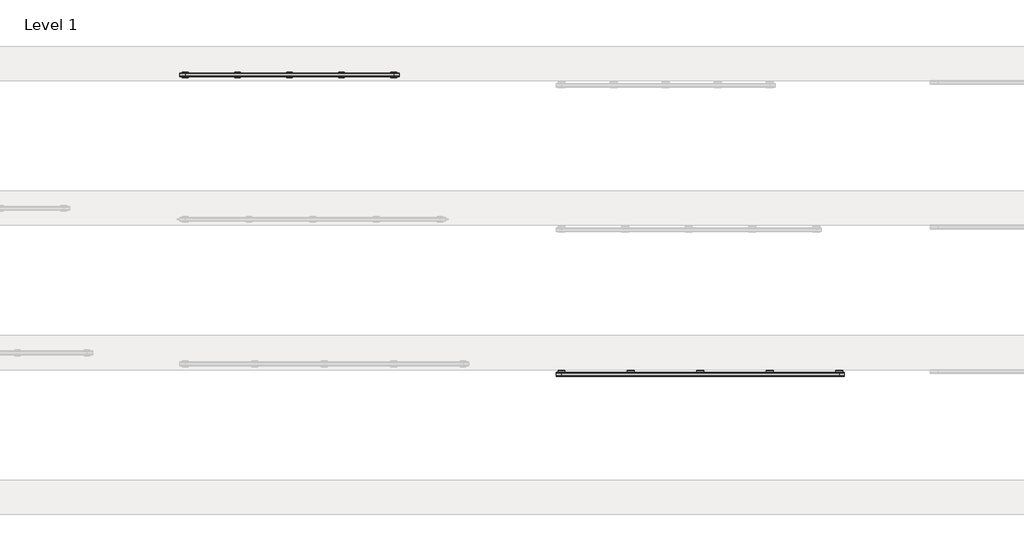
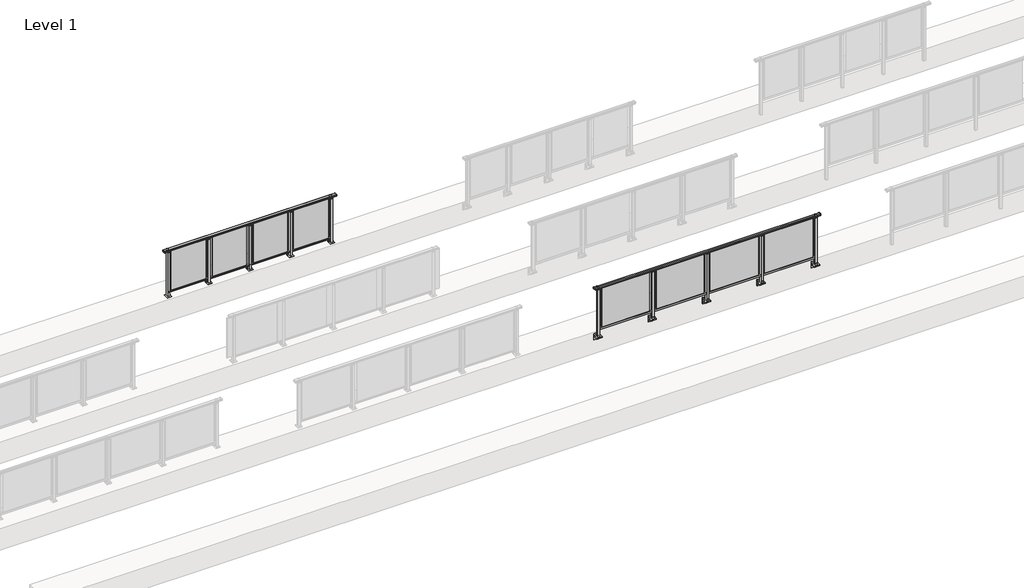
# One storey, part 47 of 64: 2 railings.
"""IFC4 building model written with IfcOpenShell, lengths in millimetres."""

from ifc_helpers import new_model, si_unit, point, frame, frame_2d, origin, origin_with_axes, place, context, project, spatial, polyline, circle_curve, trimmed, segment, composite_curve, outline, extrude, element, save
from ifc_brep_helpers import plane_surface, cylinder_surface, revolved_surface, advanced_brep

model = new_model("IFC4")

# Units and contexts
model_context = context("Model", 3, world=origin())
ifc_project = project(units=[si_unit("LENGTHUNIT", "METRE", prefix="MILLI")], contexts=[model_context])

# Site, building, storey
site = spatial("IfcSite", under=ifc_project)
building = spatial("IfcBuilding", under=site)
storey = spatial("IfcBuildingStorey", under=building, Name="Level 1", Elevation=0.0)

# Railings
placement = place(None, origin())
element("IfcRailing", 1, at=placement, inside=storey, context=model_context, shape_type="SolidModel", body=[
    advanced_brep(
    [(42910.0, 17342.8633756, 1095.6691182), (42910.0, 17347.6846828, 1081.1334092), (42910.0, 17346.7413744, 1069.2539035), (42910.0, 17348.6364177, 1061.4863007), (42910.0, 17346.9894799, 1060.384124), (42910.0, 17346.9894799, 1062.0), (42910.0, 17288.3798858, 1062.0), (42910.0, 17288.3798858, 1060.384124), (42910.0, 17286.732948, 1061.4863007), (42910.0, 17288.6279912, 1069.2539035), (42910.0, 17287.6846828, 1081.1334092), (42910.0, 17292.50599, 1095.6691182), (47890.0, 17342.8633756, 1095.6691182), (47890.0, 17292.50599, 1095.6691182), (47890.0, 17287.6846828, 1081.1334092), (47890.0, 17288.6279912, 1069.2539035), (47890.0, 17286.732948, 1061.4863007), (47890.0, 17288.3798858, 1060.384124), (47890.0, 17288.3798858, 1062.0), (47890.0, 17346.9894799, 1062.0), (47890.0, 17346.9894799, 1060.384124), (47890.0, 17348.6364177, 1061.4863007), (47890.0, 17346.7413744, 1069.2539035), (47890.0, 17347.6846828, 1081.1334092), (43000.0, 17342.8633756, 1095.6691182), (43000.0, 17347.6846828, 1081.1334092), (43000.0, 17346.7413744, 1069.2539035), (43000.0, 17348.6364177, 1061.4863007), (43000.0, 17346.9894799, 1060.384124), (43000.0, 17346.9894799, 1062.0), (43000.0, 17288.3798858, 1062.0), (43000.0, 17288.3798858, 1060.384124), (43000.0, 17286.732948, 1061.4863007), (43000.0, 17288.6279912, 1069.2539035), (43000.0, 17287.6846828, 1081.1334092), (43000.0, 17292.50599, 1095.6691182), (47800.0, 17342.8633756, 1095.6691182), (47800.0, 17347.6846828, 1081.1334092), (47800.0, 17346.7413744, 1069.2539035), (47800.0, 17348.6364177, 1061.4863007), (47800.0, 17346.9894799, 1060.384124), (47800.0, 17346.9894799, 1062.0), (47800.0, 17288.3798858, 1062.0), (47800.0, 17288.3798858, 1060.384124), (47800.0, 17286.732948, 1061.4863007), (47800.0, 17288.6279912, 1069.2539035), (47800.0, 17287.6846828, 1081.1334092), (47800.0, 17292.50599, 1095.6691182)],
    [
        (0, 1, circle_curve(frame((42910.0, 17339.6223845, 1086.526686), z_axis=(-1.0, 0.0, 0.0), x_axis=(0.0, -1.0, 0.0)), 9.6999015)),
        (1, 2, circle_curve(frame((42910.0, 17365.2252545, 1073.7633709), z_axis=(1.0, 0.0, 0.0), x_axis=(0.0, -1.0, 0.0)), 19.0260117)),
        (2, 3),
        (3, 4, circle_curve(frame((42910.0, 17347.7772073, 1060.9886194), z_axis=(-1.0, 0.0, 0.0), x_axis=(0.0, -1.0, 0.0)), 0.9929396)),
        (4, 5),
        (5, 6),
        (6, 7),
        (7, 8, circle_curve(frame((42910.0, 17287.5921584, 1060.9886194), z_axis=(-1.0, 0.0, 0.0), x_axis=(0.0, 1.0, 0.0)), 0.9929396)),
        (8, 9),
        (9, 10, circle_curve(frame((42910.0, 17270.1441111, 1073.7633709), z_axis=(1.0, 0.0, 0.0), x_axis=(0.0, 1.0, 0.0)), 19.0260117)),
        (10, 11, circle_curve(frame((42910.0, 17295.7469812, 1086.526686), z_axis=(-1.0, 0.0, 0.0), x_axis=(0.0, 1.0, 0.0)), 9.6999015)),
        (11, 0, circle_curve(frame((42910.0, 17317.6846828, 1024.6431628), z_axis=(-1.0, 0.0, 0.0), x_axis=(0.0, 1.0, 0.0)), 75.3568372)),
        (12, 13, circle_curve(frame((47890.0, 17317.6846828, 1024.6431628), z_axis=(1.0, 0.0, 0.0), x_axis=(0.0, 1.0, 0.0)), 75.3568372)),
        (13, 14, circle_curve(frame((47890.0, 17295.7469812, 1086.526686), z_axis=(1.0, 0.0, 0.0), x_axis=(0.0, 1.0, 0.0)), 9.6999015)),
        (14, 15, circle_curve(frame((47890.0, 17270.1441111, 1073.7633709), z_axis=(-1.0, 0.0, 0.0), x_axis=(0.0, 1.0, 0.0)), 19.0260117)),
        (15, 16),
        (16, 17, circle_curve(frame((47890.0, 17287.5921584, 1060.9886194), z_axis=(1.0, 0.0, 0.0), x_axis=(0.0, 1.0, 0.0)), 0.9929396)),
        (17, 18),
        (18, 19),
        (19, 20),
        (20, 21, circle_curve(frame((47890.0, 17347.7772073, 1060.9886194), z_axis=(1.0, 0.0, 0.0), x_axis=(0.0, -1.0, 0.0)), 0.9929396)),
        (21, 22),
        (22, 23, circle_curve(frame((47890.0, 17365.2252545, 1073.7633709), z_axis=(-1.0, 0.0, 0.0), x_axis=(0.0, -1.0, 0.0)), 19.0260117)),
        (23, 12, circle_curve(frame((47890.0, 17339.6223845, 1086.526686), z_axis=(1.0, 0.0, 0.0), x_axis=(0.0, -1.0, 0.0)), 9.6999015)),
        (0, 24),
        (24, 25, circle_curve(frame((43000.0, 17339.6223845, 1086.526686), z_axis=(-1.0, 0.0, 0.0), x_axis=(0.0, -1.0, 0.0)), 9.6999015)),
        (25, 1),
        (25, 26, circle_curve(frame((43000.0, 17365.2252545, 1073.7633709), z_axis=(1.0, 0.0, 0.0), x_axis=(0.0, -1.0, 0.0)), 19.0260117)),
        (26, 2),
        (26, 27),
        (27, 3),
        (27, 28, circle_curve(frame((43000.0, 17347.7772073, 1060.9886194), z_axis=(-1.0, 0.0, 0.0), x_axis=(0.0, -1.0, 0.0)), 0.9929396)),
        (28, 4),
        (28, 29),
        (29, 5),
        (29, 30),
        (30, 6),
        (30, 31),
        (31, 7),
        (31, 32, circle_curve(frame((43000.0, 17287.5921584, 1060.9886194), z_axis=(-1.0, 0.0, 0.0), x_axis=(0.0, 1.0, 0.0)), 0.9929396)),
        (32, 8),
        (32, 33),
        (33, 9),
        (33, 34, circle_curve(frame((43000.0, 17270.1441111, 1073.7633709), z_axis=(1.0, 0.0, 0.0), x_axis=(0.0, 1.0, 0.0)), 19.0260117)),
        (34, 10),
        (34, 35, circle_curve(frame((43000.0, 17295.7469812, 1086.526686), z_axis=(-1.0, 0.0, 0.0), x_axis=(0.0, 1.0, 0.0)), 9.6999015)),
        (35, 11),
        (35, 24, circle_curve(frame((43000.0, 17317.6846828, 1024.6431628), z_axis=(-1.0, 0.0, 0.0), x_axis=(0.0, 1.0, 0.0)), 75.3568372)),
        (24, 36),
        (36, 37, circle_curve(frame((47800.0, 17339.6223845, 1086.526686), z_axis=(-1.0, 0.0, 0.0), x_axis=(0.0, -1.0, 0.0)), 9.6999015)),
        (37, 25),
        (37, 38, circle_curve(frame((47800.0, 17365.2252545, 1073.7633709), z_axis=(1.0, 0.0, 0.0), x_axis=(0.0, -1.0, 0.0)), 19.0260117)),
        (38, 26),
        (38, 39),
        (39, 27),
        (39, 40, circle_curve(frame((47800.0, 17347.7772073, 1060.9886194), z_axis=(-1.0, 0.0, 0.0), x_axis=(0.0, -1.0, 0.0)), 0.9929396)),
        (40, 28),
        (40, 41),
        (41, 29),
        (41, 42),
        (42, 30),
        (42, 43),
        (43, 31),
        (43, 44, circle_curve(frame((47800.0, 17287.5921584, 1060.9886194), z_axis=(-1.0, 0.0, 0.0), x_axis=(0.0, 1.0, 0.0)), 0.9929396)),
        (44, 32),
        (44, 45),
        (45, 33),
        (45, 46, circle_curve(frame((47800.0, 17270.1441111, 1073.7633709), z_axis=(1.0, 0.0, 0.0), x_axis=(0.0, 1.0, 0.0)), 19.0260117)),
        (46, 34),
        (46, 47, circle_curve(frame((47800.0, 17295.7469812, 1086.526686), z_axis=(-1.0, 0.0, 0.0), x_axis=(0.0, 1.0, 0.0)), 9.6999015)),
        (47, 35),
        (47, 36, circle_curve(frame((47800.0, 17317.6846828, 1024.6431628), z_axis=(-1.0, 0.0, 0.0), x_axis=(0.0, 1.0, 0.0)), 75.3568372)),
        (36, 12),
        (23, 37),
        (22, 38),
        (21, 39),
        (20, 40),
        (19, 41),
        (18, 42),
        (17, 43),
        (16, 44),
        (15, 45),
        (14, 46),
        (13, 47),
    ],
    [
        plane_surface(frame((42910.0, 17317.6846828, 1100.0), z_axis=(-1.0, 0.0, 0.0), x_axis=(0.0, 1.0, 0.0))),
        plane_surface(frame((47890.0, 17317.6846828, 1100.0), z_axis=(1.0, 0.0, 0.0), x_axis=(0.0, 1.0, 0.0))),
        cylinder_surface(frame((42910.0, 17339.6223845, 1086.526686), z_axis=(-1.0, 0.0, 0.0), x_axis=(0.0, -1.0, 0.0)), 9.6999015),
        revolved_surface(polyline([(43000.0, 17346.1992428, 1073.7633709), (42910.0, 17346.1992428, 1073.7633709)]), (42910.0, 17365.2252545, 1073.7633709), (1.0, 0.0, 0.0)),
        plane_surface(frame((42910.0, 17346.7413744, 1069.2539035), z_axis=(0.0, 0.9715057689301543, 0.2370159086125439), x_axis=(1.0, 0.0, 0.0))),
        cylinder_surface(frame((42910.0, 17347.7772073, 1060.9886194), z_axis=(-1.0, 0.0, 0.0), x_axis=(0.0, -1.0, 0.0)), 0.9929396),
        plane_surface(frame((42910.0, 17346.9894799, 1060.384124), z_axis=(0.0, -1.0, 0.0), x_axis=(1.0, 0.0, 0.0))),
        plane_surface(frame((42910.0, 17346.9894799, 1062.0), z_axis=(0.0, 0.0, -1.0), x_axis=(1.0, 0.0, 0.0))),
        plane_surface(frame((42910.0, 17288.3798858, 1062.0), z_axis=(0.0, 1.0, 0.0), x_axis=(1.0, 0.0, 0.0))),
        cylinder_surface(frame((42910.0, 17287.5921584, 1060.9886194), z_axis=(-1.0, 0.0, 0.0), x_axis=(0.0, 1.0, 0.0)), 0.9929396),
        plane_surface(frame((42910.0, 17286.732948, 1061.4863007), z_axis=(0.0, -0.9715057689301543, 0.2370159086125439), x_axis=(1.0, 0.0, 0.0))),
        revolved_surface(polyline([(43000.0, 17289.1701228, 1073.7633709), (42910.0, 17289.1701228, 1073.7633709)]), (42910.0, 17270.1441111, 1073.7633709), (1.0, 0.0, 0.0)),
        cylinder_surface(frame((42910.0, 17295.7469812, 1086.526686), z_axis=(-1.0, 0.0, 0.0), x_axis=(0.0, 1.0, 0.0)), 9.6999015),
        cylinder_surface(frame((42910.0, 17317.6846828, 1024.6431628), z_axis=(-1.0, 0.0, 0.0), x_axis=(0.0, 1.0, 0.0)), 75.3568372),
        cylinder_surface(frame((43000.0, 17339.6223845, 1086.526686), z_axis=(-1.0, 0.0, 0.0), x_axis=(0.0, -1.0, 0.0)), 9.6999015),
        revolved_surface(polyline([(47800.0, 17346.1992428, 1073.7633709), (43000.0, 17346.1992428, 1073.7633709)]), (43000.0, 17365.2252545, 1073.7633709), (1.0, 0.0, 0.0)),
        plane_surface(frame((43000.0, 17346.7413744, 1069.2539035), z_axis=(0.0, 0.9715057689301543, 0.2370159086125439), x_axis=(1.0, 0.0, 0.0))),
        cylinder_surface(frame((43000.0, 17347.7772073, 1060.9886194), z_axis=(-1.0, 0.0, 0.0), x_axis=(0.0, -1.0, 0.0)), 0.9929396),
        plane_surface(frame((43000.0, 17346.9894799, 1060.384124), z_axis=(0.0, -1.0, 0.0), x_axis=(1.0, 0.0, 0.0))),
        plane_surface(frame((43000.0, 17346.9894799, 1062.0), z_axis=(0.0, 0.0, -1.0), x_axis=(1.0, 0.0, 0.0))),
        plane_surface(frame((43000.0, 17288.3798858, 1062.0), z_axis=(0.0, 1.0, 0.0), x_axis=(1.0, 0.0, 0.0))),
        cylinder_surface(frame((43000.0, 17287.5921584, 1060.9886194), z_axis=(-1.0, 0.0, 0.0), x_axis=(0.0, 1.0, 0.0)), 0.9929396),
        plane_surface(frame((43000.0, 17286.732948, 1061.4863007), z_axis=(0.0, -0.9715057689301543, 0.2370159086125439), x_axis=(1.0, 0.0, 0.0))),
        revolved_surface(polyline([(47800.0, 17289.1701228, 1073.7633709), (43000.0, 17289.1701228, 1073.7633709)]), (43000.0, 17270.1441111, 1073.7633709), (1.0, 0.0, 0.0)),
        cylinder_surface(frame((43000.0, 17295.7469812, 1086.526686), z_axis=(-1.0, 0.0, 0.0), x_axis=(0.0, 1.0, 0.0)), 9.6999015),
        cylinder_surface(frame((43000.0, 17317.6846828, 1024.6431628), z_axis=(-1.0, 0.0, 0.0), x_axis=(0.0, 1.0, 0.0)), 75.3568372),
        cylinder_surface(frame((47800.0, 17339.6223845, 1086.526686), z_axis=(-1.0, 0.0, 0.0), x_axis=(0.0, -1.0, 0.0)), 9.6999015),
        revolved_surface(polyline([(47890.0, 17346.1992428, 1073.7633709), (47800.0, 17346.1992428, 1073.7633709)]), (47800.0, 17365.2252545, 1073.7633709), (1.0, 0.0, 0.0)),
        plane_surface(frame((47800.0, 17346.7413744, 1069.2539035), z_axis=(0.0, 0.9715057689301543, 0.2370159086125439), x_axis=(1.0, 0.0, 0.0))),
        cylinder_surface(frame((47800.0, 17347.7772073, 1060.9886194), z_axis=(-1.0, 0.0, 0.0), x_axis=(0.0, -1.0, 0.0)), 0.9929396),
        plane_surface(frame((47800.0, 17346.9894799, 1060.384124), z_axis=(0.0, -1.0, 0.0), x_axis=(1.0, 0.0, 0.0))),
        plane_surface(frame((47800.0, 17346.9894799, 1062.0), z_axis=(0.0, 0.0, -1.0), x_axis=(1.0, 0.0, 0.0))),
        plane_surface(frame((47800.0, 17288.3798858, 1062.0), z_axis=(0.0, 1.0, 0.0), x_axis=(1.0, 0.0, 0.0))),
        cylinder_surface(frame((47800.0, 17287.5921584, 1060.9886194), z_axis=(-1.0, 0.0, 0.0), x_axis=(0.0, 1.0, 0.0)), 0.9929396),
        plane_surface(frame((47800.0, 17286.732948, 1061.4863007), z_axis=(0.0, -0.9715057689301543, 0.2370159086125439), x_axis=(1.0, 0.0, 0.0))),
        revolved_surface(polyline([(47890.0, 17289.1701228, 1073.7633709), (47800.0, 17289.1701228, 1073.7633709)]), (47800.0, 17270.1441111, 1073.7633709), (1.0, 0.0, 0.0)),
        cylinder_surface(frame((47800.0, 17295.7469812, 1086.526686), z_axis=(-1.0, 0.0, 0.0), x_axis=(0.0, 1.0, 0.0)), 9.6999015),
        cylinder_surface(frame((47800.0, 17317.6846828, 1024.6431628), z_axis=(-1.0, 0.0, 0.0), x_axis=(0.0, 1.0, 0.0)), 75.3568372),
    ],
    [
        (0, [[1, 2, 3, 4, 5, 6, 7, 8, 9, 10, 11, 12]]),
        (1, [[13, 14, 15, 16, 17, 18, 19, 20, 21, 22, 23, 24]]),
        (2, [[-1, 25, 26, 27]]),
        (3, [[-2, -27, 28, 29]]),
        (4, [[-3, -29, 30, 31]]),
        (5, [[-4, -31, 32, 33]]),
        (6, [[-5, -33, 34, 35]]),
        (7, [[-6, -35, 36, 37]]),
        (8, [[-7, -37, 38, 39]]),
        (9, [[-8, -39, 40, 41]]),
        (10, [[-9, -41, 42, 43]]),
        (11, [[-10, -43, 44, 45]]),
        (12, [[-11, -45, 46, 47]]),
        (13, [[-12, -47, 48, -25]]),
        (14, [[-26, 49, 50, 51]]),
        (15, [[-28, -51, 52, 53]]),
        (16, [[-30, -53, 54, 55]]),
        (17, [[-32, -55, 56, 57]]),
        (18, [[-34, -57, 58, 59]]),
        (19, [[-36, -59, 60, 61]]),
        (20, [[-38, -61, 62, 63]]),
        (21, [[-40, -63, 64, 65]]),
        (22, [[-42, -65, 66, 67]]),
        (23, [[-44, -67, 68, 69]]),
        (24, [[-46, -69, 70, 71]]),
        (25, [[-48, -71, 72, -49]]),
        (26, [[-50, 73, -24, 74]]),
        (27, [[-52, -74, -23, 75]]),
        (28, [[-54, -75, -22, 76]]),
        (29, [[-56, -76, -21, 77]]),
        (30, [[-58, -77, -20, 78]]),
        (31, [[-60, -78, -19, 79]]),
        (32, [[-62, -79, -18, 80]]),
        (33, [[-64, -80, -17, 81]]),
        (34, [[-66, -81, -16, 82]]),
        (35, [[-68, -82, -15, 83]]),
        (36, [[-70, -83, -14, 84]]),
        (37, [[-72, -84, -13, -73]]),
    ],
),
    extrude(outline(polyline([(43000.0, 17300.1846828), (43000.0, 17335.1846828), (47800.0, 17335.1846828), (47800.0, 17300.1846828), (43000.0, 17300.1846828)])), frame((0.0, 0.0, 95.0), z_axis=(0.0, 0.0, 1.0), x_axis=(1.0, 0.0, 0.0)), (0.0, 0.0, 1.0), 30.0),
    extrude(outline(polyline([(46672.5, 17315.9094929), (46672.5, 17321.9094929), (47727.5, 17321.9094929), (47727.5, 17315.9094929), (46672.5, 17315.9094929)])), frame((0.0, 0.0, 125.0), z_axis=(0.0, 0.0, 1.0), x_axis=(1.0, 0.0, 0.0)), (0.0, 0.0, 1.0), 930.0),
    extrude(outline(composite_curve([segment(polyline([(17350.1846828, -70.0), (17384.1846828, -63.0), (17384.1846828, -32.5), (17400.1846828, -32.5), (17400.1846828, -167.5), (17384.1846828, -167.5), (17384.1846828, -113.5)]), True, "CONTINUOUS"), segment(trimmed(circle_curve(frame_2d((17364.1846828, -113.5)), 20.0), [point((17384.1846828, -113.5))], [point((17364.1846828, -93.5))], True, "CARTESIAN"), True, "CONTINUOUS"), segment(polyline([(17364.1846828, -93.5), (17280.1846828, -93.5), (17280.1846828, -70.0), (17350.1846828, -70.0)]), True, "CONTINUOUS")], self_intersect=False)), frame((46540.0, 0.0, 0.0), z_axis=(1.0, 0.0, 0.0), x_axis=(0.0, 1.0, 0.0)), (0.0, 0.0, 1.0), 120.0),
    extrude(outline(polyline([(46622.5, 17340.1846828), (46622.5, 17295.1846828), (46577.5, 17295.1846828), (46577.5, 17340.1846828), (46622.5, 17340.1846828)])), frame((0.0, 0.0, -70.0), z_axis=(0.0, 0.0, 1.0), x_axis=(1.0, 0.0, 0.0)), (0.0, 0.0, 1.0), 1097.0),
    extrude(outline(polyline([(46610.0, 17327.6846828), (46610.0, 17307.6846828), (46590.0, 17307.6846828), (46590.0, 17327.6846828), (46610.0, 17327.6846828)])), frame((0.0, 0.0, 1035.0), z_axis=(0.0, 0.0, 1.0), x_axis=(1.0, 0.0, 0.0)), (0.0, 0.0, 1.0), 20.0),
    extrude(outline(polyline([(46622.5, 17340.1846828), (46622.5, 17295.1846828), (46577.5, 17295.1846828), (46577.5, 17340.1846828), (46622.5, 17340.1846828)])), frame((0.0, 0.0, 1027.0), z_axis=(0.0, 0.0, 1.0), x_axis=(1.0, 0.0, 0.0)), (0.0, 0.0, 1.0), 8.0),
    extrude(outline(polyline([(45472.5, 17315.9094929), (45472.5, 17321.9094929), (46527.5, 17321.9094929), (46527.5, 17315.9094929), (45472.5, 17315.9094929)])), frame((0.0, 0.0, 125.0), z_axis=(0.0, 0.0, 1.0), x_axis=(1.0, 0.0, 0.0)), (0.0, 0.0, 1.0), 930.0),
    extrude(outline(composite_curve([segment(polyline([(17350.1846828, -70.0), (17384.1846828, -63.0), (17384.1846828, -32.5), (17400.1846828, -32.5), (17400.1846828, -167.5), (17384.1846828, -167.5), (17384.1846828, -113.5)]), True, "CONTINUOUS"), segment(trimmed(circle_curve(frame_2d((17364.1846828, -113.5)), 20.0), [point((17384.1846828, -113.5))], [point((17364.1846828, -93.5))], True, "CARTESIAN"), True, "CONTINUOUS"), segment(polyline([(17364.1846828, -93.5), (17280.1846828, -93.5), (17280.1846828, -70.0), (17350.1846828, -70.0)]), True, "CONTINUOUS")], self_intersect=False)), frame((45340.0, 0.0, 0.0), z_axis=(1.0, 0.0, 0.0), x_axis=(0.0, 1.0, 0.0)), (0.0, 0.0, 1.0), 120.0),
    extrude(outline(polyline([(45422.5, 17340.1846828), (45422.5, 17295.1846828), (45377.5, 17295.1846828), (45377.5, 17340.1846828), (45422.5, 17340.1846828)])), frame((0.0, 0.0, -70.0), z_axis=(0.0, 0.0, 1.0), x_axis=(1.0, 0.0, 0.0)), (0.0, 0.0, 1.0), 1097.0),
    extrude(outline(polyline([(45410.0, 17327.6846828), (45410.0, 17307.6846828), (45390.0, 17307.6846828), (45390.0, 17327.6846828), (45410.0, 17327.6846828)])), frame((0.0, 0.0, 1035.0), z_axis=(0.0, 0.0, 1.0), x_axis=(1.0, 0.0, 0.0)), (0.0, 0.0, 1.0), 20.0),
    extrude(outline(polyline([(45422.5, 17340.1846828), (45422.5, 17295.1846828), (45377.5, 17295.1846828), (45377.5, 17340.1846828), (45422.5, 17340.1846828)])), frame((0.0, 0.0, 1027.0), z_axis=(0.0, 0.0, 1.0), x_axis=(1.0, 0.0, 0.0)), (0.0, 0.0, 1.0), 8.0),
    extrude(outline(polyline([(44272.5, 17315.9094929), (44272.5, 17321.9094929), (45327.5, 17321.9094929), (45327.5, 17315.9094929), (44272.5, 17315.9094929)])), frame((0.0, 0.0, 125.0), z_axis=(0.0, 0.0, 1.0), x_axis=(1.0, 0.0, 0.0)), (0.0, 0.0, 1.0), 930.0),
    extrude(outline(composite_curve([segment(polyline([(17350.1846828, -70.0), (17384.1846828, -63.0), (17384.1846828, -32.5), (17400.1846828, -32.5), (17400.1846828, -167.5), (17384.1846828, -167.5), (17384.1846828, -113.5)]), True, "CONTINUOUS"), segment(trimmed(circle_curve(frame_2d((17364.1846828, -113.5)), 20.0), [point((17384.1846828, -113.5))], [point((17364.1846828, -93.5))], True, "CARTESIAN"), True, "CONTINUOUS"), segment(polyline([(17364.1846828, -93.5), (17280.1846828, -93.5), (17280.1846828, -70.0), (17350.1846828, -70.0)]), True, "CONTINUOUS")], self_intersect=False)), frame((44140.0, 0.0, 0.0), z_axis=(1.0, 0.0, 0.0), x_axis=(0.0, 1.0, 0.0)), (0.0, 0.0, 1.0), 120.0),
    extrude(outline(polyline([(44222.5, 17340.1846828), (44222.5, 17295.1846828), (44177.5, 17295.1846828), (44177.5, 17340.1846828), (44222.5, 17340.1846828)])), frame((0.0, 0.0, -70.0), z_axis=(0.0, 0.0, 1.0), x_axis=(1.0, 0.0, 0.0)), (0.0, 0.0, 1.0), 1097.0),
    extrude(outline(polyline([(44210.0, 17327.6846828), (44210.0, 17307.6846828), (44190.0, 17307.6846828), (44190.0, 17327.6846828), (44210.0, 17327.6846828)])), frame((0.0, 0.0, 1035.0), z_axis=(0.0, 0.0, 1.0), x_axis=(1.0, 0.0, 0.0)), (0.0, 0.0, 1.0), 20.0),
    extrude(outline(polyline([(44222.5, 17340.1846828), (44222.5, 17295.1846828), (44177.5, 17295.1846828), (44177.5, 17340.1846828), (44222.5, 17340.1846828)])), frame((0.0, 0.0, 1027.0), z_axis=(0.0, 0.0, 1.0), x_axis=(1.0, 0.0, 0.0)), (0.0, 0.0, 1.0), 8.0),
    extrude(outline(polyline([(43072.5, 17315.9094929), (43072.5, 17321.9094929), (44127.5, 17321.9094929), (44127.5, 17315.9094929), (43072.5, 17315.9094929)])), frame((0.0, 0.0, 125.0), z_axis=(0.0, 0.0, 1.0), x_axis=(1.0, 0.0, 0.0)), (0.0, 0.0, 1.0), 930.0),
    extrude(outline(composite_curve([segment(polyline([(17350.1846828, -70.0), (17384.1846828, -63.0), (17384.1846828, -32.5), (17400.1846828, -32.5), (17400.1846828, -167.5), (17384.1846828, -167.5), (17384.1846828, -113.5)]), True, "CONTINUOUS"), segment(trimmed(circle_curve(frame_2d((17364.1846828, -113.5)), 20.0), [point((17384.1846828, -113.5))], [point((17364.1846828, -93.5))], True, "CARTESIAN"), True, "CONTINUOUS"), segment(polyline([(17364.1846828, -93.5), (17280.1846828, -93.5), (17280.1846828, -70.0), (17350.1846828, -70.0)]), True, "CONTINUOUS")], self_intersect=False)), frame((47740.0, 0.0, 0.0), z_axis=(1.0, 0.0, 0.0), x_axis=(0.0, 1.0, 0.0)), (0.0, 0.0, 1.0), 120.0),
    extrude(outline(polyline([(47822.5, 17340.1846828), (47822.5, 17295.1846828), (47777.5, 17295.1846828), (47777.5, 17340.1846828), (47822.5, 17340.1846828)])), frame((0.0, 0.0, -70.0), z_axis=(0.0, 0.0, 1.0), x_axis=(1.0, 0.0, 0.0)), (0.0, 0.0, 1.0), 1097.0),
    extrude(outline(polyline([(47810.0, 17327.6846828), (47810.0, 17307.6846828), (47790.0, 17307.6846828), (47790.0, 17327.6846828), (47810.0, 17327.6846828)])), frame((0.0, 0.0, 1035.0), z_axis=(0.0, 0.0, 1.0), x_axis=(1.0, 0.0, 0.0)), (0.0, 0.0, 1.0), 20.0),
    extrude(outline(polyline([(47822.5, 17340.1846828), (47822.5, 17295.1846828), (47777.5, 17295.1846828), (47777.5, 17340.1846828), (47822.5, 17340.1846828)])), frame((0.0, 0.0, 1027.0), z_axis=(0.0, 0.0, 1.0), x_axis=(1.0, 0.0, 0.0)), (0.0, 0.0, 1.0), 8.0),
    extrude(outline(composite_curve([segment(polyline([(17350.1846828, -70.0), (17384.1846828, -63.0), (17384.1846828, -32.5), (17400.1846828, -32.5), (17400.1846828, -167.5), (17384.1846828, -167.5), (17384.1846828, -113.5)]), True, "CONTINUOUS"), segment(trimmed(circle_curve(frame_2d((17364.1846828, -113.5)), 20.0), [point((17384.1846828, -113.5))], [point((17364.1846828, -93.5))], True, "CARTESIAN"), True, "CONTINUOUS"), segment(polyline([(17364.1846828, -93.5), (17280.1846828, -93.5), (17280.1846828, -70.0), (17350.1846828, -70.0)]), True, "CONTINUOUS")], self_intersect=False)), frame((42940.0, 0.0, 0.0), z_axis=(1.0, 0.0, 0.0), x_axis=(0.0, 1.0, 0.0)), (0.0, 0.0, 1.0), 120.0),
    extrude(outline(polyline([(43022.5, 17340.1846828), (43022.5, 17295.1846828), (42977.5, 17295.1846828), (42977.5, 17340.1846828), (43022.5, 17340.1846828)])), frame((0.0, 0.0, -70.0), z_axis=(0.0, 0.0, 1.0), x_axis=(1.0, 0.0, 0.0)), (0.0, 0.0, 1.0), 1097.0),
    extrude(outline(polyline([(43010.0, 17327.6846828), (43010.0, 17307.6846828), (42990.0, 17307.6846828), (42990.0, 17327.6846828), (43010.0, 17327.6846828)])), frame((0.0, 0.0, 1035.0), z_axis=(0.0, 0.0, 1.0), x_axis=(1.0, 0.0, 0.0)), (0.0, 0.0, 1.0), 20.0),
    extrude(outline(polyline([(43022.5, 17340.1846828), (43022.5, 17295.1846828), (42977.5, 17295.1846828), (42977.5, 17340.1846828), (43022.5, 17340.1846828)])), frame((0.0, 0.0, 1027.0), z_axis=(0.0, 0.0, 1.0), x_axis=(1.0, 0.0, 0.0)), (0.0, 0.0, 1.0), 8.0),
])
element("IfcRailing", 2, at=placement, inside=storey, context=model_context, shape_type="SolidModel", body=[
    advanced_brep(
    [(36400.0, 22525.3633756, 1095.6691182), (36400.0, 22530.1846828, 1081.1334092), (36400.0, 22529.2413744, 1069.2539035), (36400.0, 22531.1364177, 1061.4863007), (36400.0, 22529.4894799, 1060.384124), (36400.0, 22529.4894799, 1062.0), (36400.0, 22470.8798858, 1062.0), (36400.0, 22470.8798858, 1060.384124), (36400.0, 22469.232948, 1061.4863007), (36400.0, 22471.1279912, 1069.2539035), (36400.0, 22470.1846828, 1081.1334092), (36400.0, 22475.00599, 1095.6691182), (40200.0, 22525.3633756, 1095.6691182), (40200.0, 22475.00599, 1095.6691182), (40200.0, 22470.1846828, 1081.1334092), (40200.0, 22471.1279912, 1069.2539035), (40200.0, 22469.232948, 1061.4863007), (40200.0, 22470.8798858, 1060.384124), (40200.0, 22470.8798858, 1062.0), (40200.0, 22529.4894799, 1062.0), (40200.0, 22529.4894799, 1060.384124), (40200.0, 22531.1364177, 1061.4863007), (40200.0, 22529.2413744, 1069.2539035), (40200.0, 22530.1846828, 1081.1334092), (36500.0, 22525.3633756, 1095.6691182), (36500.0, 22530.1846828, 1081.1334092), (36500.0, 22529.2413744, 1069.2539035), (36500.0, 22531.1364177, 1061.4863007), (36500.0, 22529.4894799, 1060.384124), (36500.0, 22529.4894799, 1062.0), (36500.0, 22470.8798858, 1062.0), (36500.0, 22470.8798858, 1060.384124), (36500.0, 22469.232948, 1061.4863007), (36500.0, 22471.1279912, 1069.2539035), (36500.0, 22470.1846828, 1081.1334092), (36500.0, 22475.00599, 1095.6691182), (40100.0, 22525.3633756, 1095.6691182), (40100.0, 22530.1846828, 1081.1334092), (40100.0, 22529.2413744, 1069.2539035), (40100.0, 22531.1364177, 1061.4863007), (40100.0, 22529.4894799, 1060.384124), (40100.0, 22529.4894799, 1062.0), (40100.0, 22470.8798858, 1062.0), (40100.0, 22470.8798858, 1060.384124), (40100.0, 22469.232948, 1061.4863007), (40100.0, 22471.1279912, 1069.2539035), (40100.0, 22470.1846828, 1081.1334092), (40100.0, 22475.00599, 1095.6691182)],
    [
        (0, 1, circle_curve(frame((36400.0, 22522.1223845, 1086.526686), z_axis=(-1.0, 0.0, 0.0), x_axis=(0.0, -1.0, 0.0)), 9.6999015)),
        (1, 2, circle_curve(frame((36400.0, 22547.7252545, 1073.7633709), z_axis=(1.0, 0.0, 0.0), x_axis=(0.0, -1.0, 0.0)), 19.0260117)),
        (2, 3),
        (3, 4, circle_curve(frame((36400.0, 22530.2772073, 1060.9886194), z_axis=(-1.0, 0.0, 0.0), x_axis=(0.0, -1.0, 0.0)), 0.9929396)),
        (4, 5),
        (5, 6),
        (6, 7),
        (7, 8, circle_curve(frame((36400.0, 22470.0921584, 1060.9886194), z_axis=(-1.0, 0.0, 0.0), x_axis=(0.0, 1.0, 0.0)), 0.9929396)),
        (8, 9),
        (9, 10, circle_curve(frame((36400.0, 22452.6441111, 1073.7633709), z_axis=(1.0, 0.0, 0.0), x_axis=(0.0, 1.0, 0.0)), 19.0260117)),
        (10, 11, circle_curve(frame((36400.0, 22478.2469812, 1086.526686), z_axis=(-1.0, 0.0, 0.0), x_axis=(0.0, 1.0, 0.0)), 9.6999015)),
        (11, 0, circle_curve(frame((36400.0, 22500.1846828, 1024.6431628), z_axis=(-1.0, 0.0, 0.0), x_axis=(0.0, 1.0, 0.0)), 75.3568372)),
        (12, 13, circle_curve(frame((40200.0, 22500.1846828, 1024.6431628), z_axis=(1.0, 0.0, 0.0), x_axis=(0.0, 1.0, 0.0)), 75.3568372)),
        (13, 14, circle_curve(frame((40200.0, 22478.2469812, 1086.526686), z_axis=(1.0, 0.0, 0.0), x_axis=(0.0, 1.0, 0.0)), 9.6999015)),
        (14, 15, circle_curve(frame((40200.0, 22452.6441111, 1073.7633709), z_axis=(-1.0, 0.0, 0.0), x_axis=(0.0, 1.0, 0.0)), 19.0260117)),
        (15, 16),
        (16, 17, circle_curve(frame((40200.0, 22470.0921584, 1060.9886194), z_axis=(1.0, 0.0, 0.0), x_axis=(0.0, 1.0, 0.0)), 0.9929396)),
        (17, 18),
        (18, 19),
        (19, 20),
        (20, 21, circle_curve(frame((40200.0, 22530.2772073, 1060.9886194), z_axis=(1.0, 0.0, 0.0), x_axis=(0.0, -1.0, 0.0)), 0.9929396)),
        (21, 22),
        (22, 23, circle_curve(frame((40200.0, 22547.7252545, 1073.7633709), z_axis=(-1.0, 0.0, 0.0), x_axis=(0.0, -1.0, 0.0)), 19.0260117)),
        (23, 12, circle_curve(frame((40200.0, 22522.1223845, 1086.526686), z_axis=(1.0, 0.0, 0.0), x_axis=(0.0, -1.0, 0.0)), 9.6999015)),
        (0, 24),
        (24, 25, circle_curve(frame((36500.0, 22522.1223845, 1086.526686), z_axis=(-1.0, 0.0, 0.0), x_axis=(0.0, -1.0, 0.0)), 9.6999015)),
        (25, 1),
        (25, 26, circle_curve(frame((36500.0, 22547.7252545, 1073.7633709), z_axis=(1.0, 0.0, 0.0), x_axis=(0.0, -1.0, 0.0)), 19.0260117)),
        (26, 2),
        (26, 27),
        (27, 3),
        (27, 28, circle_curve(frame((36500.0, 22530.2772073, 1060.9886194), z_axis=(-1.0, 0.0, 0.0), x_axis=(0.0, -1.0, 0.0)), 0.9929396)),
        (28, 4),
        (28, 29),
        (29, 5),
        (29, 30),
        (30, 6),
        (30, 31),
        (31, 7),
        (31, 32, circle_curve(frame((36500.0, 22470.0921584, 1060.9886194), z_axis=(-1.0, 0.0, 0.0), x_axis=(0.0, 1.0, 0.0)), 0.9929396)),
        (32, 8),
        (32, 33),
        (33, 9),
        (33, 34, circle_curve(frame((36500.0, 22452.6441111, 1073.7633709), z_axis=(1.0, 0.0, 0.0), x_axis=(0.0, 1.0, 0.0)), 19.0260117)),
        (34, 10),
        (34, 35, circle_curve(frame((36500.0, 22478.2469812, 1086.526686), z_axis=(-1.0, 0.0, 0.0), x_axis=(0.0, 1.0, 0.0)), 9.6999015)),
        (35, 11),
        (35, 24, circle_curve(frame((36500.0, 22500.1846828, 1024.6431628), z_axis=(-1.0, 0.0, 0.0), x_axis=(0.0, 1.0, 0.0)), 75.3568372)),
        (24, 36),
        (36, 37, circle_curve(frame((40100.0, 22522.1223845, 1086.526686), z_axis=(-1.0, 0.0, 0.0), x_axis=(0.0, -1.0, 0.0)), 9.6999015)),
        (37, 25),
        (37, 38, circle_curve(frame((40100.0, 22547.7252545, 1073.7633709), z_axis=(1.0, 0.0, 0.0), x_axis=(0.0, -1.0, 0.0)), 19.0260117)),
        (38, 26),
        (38, 39),
        (39, 27),
        (39, 40, circle_curve(frame((40100.0, 22530.2772073, 1060.9886194), z_axis=(-1.0, 0.0, 0.0), x_axis=(0.0, -1.0, 0.0)), 0.9929396)),
        (40, 28),
        (40, 41),
        (41, 29),
        (41, 42),
        (42, 30),
        (42, 43),
        (43, 31),
        (43, 44, circle_curve(frame((40100.0, 22470.0921584, 1060.9886194), z_axis=(-1.0, 0.0, 0.0), x_axis=(0.0, 1.0, 0.0)), 0.9929396)),
        (44, 32),
        (44, 45),
        (45, 33),
        (45, 46, circle_curve(frame((40100.0, 22452.6441111, 1073.7633709), z_axis=(1.0, 0.0, 0.0), x_axis=(0.0, 1.0, 0.0)), 19.0260117)),
        (46, 34),
        (46, 47, circle_curve(frame((40100.0, 22478.2469812, 1086.526686), z_axis=(-1.0, 0.0, 0.0), x_axis=(0.0, 1.0, 0.0)), 9.6999015)),
        (47, 35),
        (47, 36, circle_curve(frame((40100.0, 22500.1846828, 1024.6431628), z_axis=(-1.0, 0.0, 0.0), x_axis=(0.0, 1.0, 0.0)), 75.3568372)),
        (36, 12),
        (23, 37),
        (22, 38),
        (21, 39),
        (20, 40),
        (19, 41),
        (18, 42),
        (17, 43),
        (16, 44),
        (15, 45),
        (14, 46),
        (13, 47),
    ],
    [
        plane_surface(frame((36400.0, 22500.1846828, 1100.0), z_axis=(-1.0, 0.0, 0.0), x_axis=(0.0, 1.0, 0.0))),
        plane_surface(frame((40200.0, 22500.1846828, 1100.0), z_axis=(1.0, 0.0, 0.0), x_axis=(0.0, 1.0, 0.0))),
        cylinder_surface(frame((36400.0, 22522.1223845, 1086.526686), z_axis=(-1.0, 0.0, 0.0), x_axis=(0.0, -1.0, 0.0)), 9.6999015),
        revolved_surface(polyline([(36500.0, 22528.6992428, 1073.7633709), (36400.0, 22528.6992428, 1073.7633709)]), (36400.0, 22547.7252545, 1073.7633709), (1.0, 0.0, 0.0)),
        plane_surface(frame((36400.0, 22529.2413744, 1069.2539035), z_axis=(0.0, 0.9715057689301543, 0.2370159086125439), x_axis=(1.0, 0.0, 0.0))),
        cylinder_surface(frame((36400.0, 22530.2772073, 1060.9886194), z_axis=(-1.0, 0.0, 0.0), x_axis=(0.0, -1.0, 0.0)), 0.9929396),
        plane_surface(frame((36400.0, 22529.4894799, 1060.384124), z_axis=(0.0, -1.0, 0.0), x_axis=(1.0, 0.0, 0.0))),
        plane_surface(frame((36400.0, 22529.4894799, 1062.0), z_axis=(0.0, 0.0, -1.0), x_axis=(1.0, 0.0, 0.0))),
        plane_surface(frame((36400.0, 22470.8798858, 1062.0), z_axis=(0.0, 1.0, 0.0), x_axis=(1.0, 0.0, 0.0))),
        cylinder_surface(frame((36400.0, 22470.0921584, 1060.9886194), z_axis=(-1.0, 0.0, 0.0), x_axis=(0.0, 1.0, 0.0)), 0.9929396),
        plane_surface(frame((36400.0, 22469.232948, 1061.4863007), z_axis=(0.0, -0.9715057689301543, 0.2370159086125439), x_axis=(1.0, 0.0, 0.0))),
        revolved_surface(polyline([(36500.0, 22471.6701228, 1073.7633709), (36400.0, 22471.6701228, 1073.7633709)]), (36400.0, 22452.6441111, 1073.7633709), (1.0, 0.0, 0.0)),
        cylinder_surface(frame((36400.0, 22478.2469812, 1086.526686), z_axis=(-1.0, 0.0, 0.0), x_axis=(0.0, 1.0, 0.0)), 9.6999015),
        cylinder_surface(frame((36400.0, 22500.1846828, 1024.6431628), z_axis=(-1.0, 0.0, 0.0), x_axis=(0.0, 1.0, 0.0)), 75.3568372),
        cylinder_surface(frame((36500.0, 22522.1223845, 1086.526686), z_axis=(-1.0, 0.0, 0.0), x_axis=(0.0, -1.0, 0.0)), 9.6999015),
        revolved_surface(polyline([(40100.0, 22528.6992428, 1073.7633709), (36500.0, 22528.6992428, 1073.7633709)]), (36500.0, 22547.7252545, 1073.7633709), (1.0, 0.0, 0.0)),
        plane_surface(frame((36500.0, 22529.2413744, 1069.2539035), z_axis=(0.0, 0.9715057689301543, 0.2370159086125439), x_axis=(1.0, 0.0, 0.0))),
        cylinder_surface(frame((36500.0, 22530.2772073, 1060.9886194), z_axis=(-1.0, 0.0, 0.0), x_axis=(0.0, -1.0, 0.0)), 0.9929396),
        plane_surface(frame((36500.0, 22529.4894799, 1060.384124), z_axis=(0.0, -1.0, 0.0), x_axis=(1.0, 0.0, 0.0))),
        plane_surface(frame((36500.0, 22529.4894799, 1062.0), z_axis=(0.0, 0.0, -1.0), x_axis=(1.0, 0.0, 0.0))),
        plane_surface(frame((36500.0, 22470.8798858, 1062.0), z_axis=(0.0, 1.0, 0.0), x_axis=(1.0, 0.0, 0.0))),
        cylinder_surface(frame((36500.0, 22470.0921584, 1060.9886194), z_axis=(-1.0, 0.0, 0.0), x_axis=(0.0, 1.0, 0.0)), 0.9929396),
        plane_surface(frame((36500.0, 22469.232948, 1061.4863007), z_axis=(0.0, -0.9715057689301543, 0.2370159086125439), x_axis=(1.0, 0.0, 0.0))),
        revolved_surface(polyline([(40100.0, 22471.6701228, 1073.7633709), (36500.0, 22471.6701228, 1073.7633709)]), (36500.0, 22452.6441111, 1073.7633709), (1.0, 0.0, 0.0)),
        cylinder_surface(frame((36500.0, 22478.2469812, 1086.526686), z_axis=(-1.0, 0.0, 0.0), x_axis=(0.0, 1.0, 0.0)), 9.6999015),
        cylinder_surface(frame((36500.0, 22500.1846828, 1024.6431628), z_axis=(-1.0, 0.0, 0.0), x_axis=(0.0, 1.0, 0.0)), 75.3568372),
        cylinder_surface(frame((40100.0, 22522.1223845, 1086.526686), z_axis=(-1.0, 0.0, 0.0), x_axis=(0.0, -1.0, 0.0)), 9.6999015),
        revolved_surface(polyline([(40200.0, 22528.6992428, 1073.7633709), (40100.0, 22528.6992428, 1073.7633709)]), (40100.0, 22547.7252545, 1073.7633709), (1.0, 0.0, 0.0)),
        plane_surface(frame((40100.0, 22529.2413744, 1069.2539035), z_axis=(0.0, 0.9715057689301543, 0.2370159086125439), x_axis=(1.0, 0.0, 0.0))),
        cylinder_surface(frame((40100.0, 22530.2772073, 1060.9886194), z_axis=(-1.0, 0.0, 0.0), x_axis=(0.0, -1.0, 0.0)), 0.9929396),
        plane_surface(frame((40100.0, 22529.4894799, 1060.384124), z_axis=(0.0, -1.0, 0.0), x_axis=(1.0, 0.0, 0.0))),
        plane_surface(frame((40100.0, 22529.4894799, 1062.0), z_axis=(0.0, 0.0, -1.0), x_axis=(1.0, 0.0, 0.0))),
        plane_surface(frame((40100.0, 22470.8798858, 1062.0), z_axis=(0.0, 1.0, 0.0), x_axis=(1.0, 0.0, 0.0))),
        cylinder_surface(frame((40100.0, 22470.0921584, 1060.9886194), z_axis=(-1.0, 0.0, 0.0), x_axis=(0.0, 1.0, 0.0)), 0.9929396),
        plane_surface(frame((40100.0, 22469.232948, 1061.4863007), z_axis=(0.0, -0.9715057689301543, 0.2370159086125439), x_axis=(1.0, 0.0, 0.0))),
        revolved_surface(polyline([(40200.0, 22471.6701228, 1073.7633709), (40100.0, 22471.6701228, 1073.7633709)]), (40100.0, 22452.6441111, 1073.7633709), (1.0, 0.0, 0.0)),
        cylinder_surface(frame((40100.0, 22478.2469812, 1086.526686), z_axis=(-1.0, 0.0, 0.0), x_axis=(0.0, 1.0, 0.0)), 9.6999015),
        cylinder_surface(frame((40100.0, 22500.1846828, 1024.6431628), z_axis=(-1.0, 0.0, 0.0), x_axis=(0.0, 1.0, 0.0)), 75.3568372),
    ],
    [
        (0, [[1, 2, 3, 4, 5, 6, 7, 8, 9, 10, 11, 12]]),
        (1, [[13, 14, 15, 16, 17, 18, 19, 20, 21, 22, 23, 24]]),
        (2, [[-1, 25, 26, 27]]),
        (3, [[-2, -27, 28, 29]]),
        (4, [[-3, -29, 30, 31]]),
        (5, [[-4, -31, 32, 33]]),
        (6, [[-5, -33, 34, 35]]),
        (7, [[-6, -35, 36, 37]]),
        (8, [[-7, -37, 38, 39]]),
        (9, [[-8, -39, 40, 41]]),
        (10, [[-9, -41, 42, 43]]),
        (11, [[-10, -43, 44, 45]]),
        (12, [[-11, -45, 46, 47]]),
        (13, [[-12, -47, 48, -25]]),
        (14, [[-26, 49, 50, 51]]),
        (15, [[-28, -51, 52, 53]]),
        (16, [[-30, -53, 54, 55]]),
        (17, [[-32, -55, 56, 57]]),
        (18, [[-34, -57, 58, 59]]),
        (19, [[-36, -59, 60, 61]]),
        (20, [[-38, -61, 62, 63]]),
        (21, [[-40, -63, 64, 65]]),
        (22, [[-42, -65, 66, 67]]),
        (23, [[-44, -67, 68, 69]]),
        (24, [[-46, -69, 70, 71]]),
        (25, [[-48, -71, 72, -49]]),
        (26, [[-50, 73, -24, 74]]),
        (27, [[-52, -74, -23, 75]]),
        (28, [[-54, -75, -22, 76]]),
        (29, [[-56, -76, -21, 77]]),
        (30, [[-58, -77, -20, 78]]),
        (31, [[-60, -78, -19, 79]]),
        (32, [[-62, -79, -18, 80]]),
        (33, [[-64, -80, -17, 81]]),
        (34, [[-66, -81, -16, 82]]),
        (35, [[-68, -82, -15, 83]]),
        (36, [[-70, -83, -14, 84]]),
        (37, [[-72, -84, -13, -73]]),
    ],
),
    extrude(outline(polyline([(36500.0, 22482.6846828), (36500.0, 22517.6846828), (40100.0, 22517.6846828), (40100.0, 22482.6846828), (36500.0, 22482.6846828)])), frame((0.0, 0.0, 95.0), z_axis=(0.0, 0.0, 1.0), x_axis=(1.0, 0.0, 0.0)), (0.0, 0.0, 1.0), 30.0),
    extrude(outline(polyline([(39272.5, 22501.9598727), (40027.5, 22501.9598727), (40027.5, 22495.9598727), (39272.5, 22495.9598727), (39272.5, 22501.9598727)])), frame((0.0, 0.0, 125.0), z_axis=(0.0, 0.0, 1.0), x_axis=(1.0, 0.0, 0.0)), (0.0, 0.0, 1.0), 930.0),
    extrude(outline(polyline([(39210.0, 22490.1846828), (39190.0, 22490.1846828), (39190.0, 22510.1846828), (39210.0, 22510.1846828), (39210.0, 22490.1846828)])), frame((0.0, 0.0, 1035.0), z_axis=(0.0, 0.0, 1.0), x_axis=(1.0, 0.0, 0.0)), (0.0, 0.0, 1.0), 20.0),
    extrude(outline(polyline([(39222.5, 22477.6846828), (39177.5, 22477.6846828), (39177.5, 22522.6846828), (39222.5, 22522.6846828), (39222.5, 22477.6846828)])), frame((0.0, 0.0, 1027.0), z_axis=(0.0, 0.0, 1.0), x_axis=(1.0, 0.0, 0.0)), (0.0, 0.0, 1.0), 8.0),
    extrude(outline(polyline([(39250.0, 22450.1846828), (39150.0, 22450.1846828), (39150.0, 22550.1846828), (39250.0, 22550.1846828), (39250.0, 22450.1846828)])), origin_with_axes(), (0.0, 0.0, 1.0), 12.0),
    extrude(outline(polyline([(39222.5, 22477.6846828), (39177.5, 22477.6846828), (39177.5, 22522.6846828), (39222.5, 22522.6846828), (39222.5, 22477.6846828)])), frame((0.0, 0.0, 12.0), z_axis=(0.0, 0.0, 1.0), x_axis=(1.0, 0.0, 0.0)), (0.0, 0.0, 1.0), 1015.0),
    extrude(outline(polyline([(38372.5, 22501.9598727), (39127.5, 22501.9598727), (39127.5, 22495.9598727), (38372.5, 22495.9598727), (38372.5, 22501.9598727)])), frame((0.0, 0.0, 125.0), z_axis=(0.0, 0.0, 1.0), x_axis=(1.0, 0.0, 0.0)), (0.0, 0.0, 1.0), 930.0),
    extrude(outline(polyline([(38310.0, 22490.1846828), (38290.0, 22490.1846828), (38290.0, 22510.1846828), (38310.0, 22510.1846828), (38310.0, 22490.1846828)])), frame((0.0, 0.0, 1035.0), z_axis=(0.0, 0.0, 1.0), x_axis=(1.0, 0.0, 0.0)), (0.0, 0.0, 1.0), 20.0),
    extrude(outline(polyline([(38322.5, 22477.6846828), (38277.5, 22477.6846828), (38277.5, 22522.6846828), (38322.5, 22522.6846828), (38322.5, 22477.6846828)])), frame((0.0, 0.0, 1027.0), z_axis=(0.0, 0.0, 1.0), x_axis=(1.0, 0.0, 0.0)), (0.0, 0.0, 1.0), 8.0),
    extrude(outline(polyline([(38350.0, 22450.1846828), (38250.0, 22450.1846828), (38250.0, 22550.1846828), (38350.0, 22550.1846828), (38350.0, 22450.1846828)])), origin_with_axes(), (0.0, 0.0, 1.0), 12.0),
    extrude(outline(polyline([(38322.5, 22477.6846828), (38277.5, 22477.6846828), (38277.5, 22522.6846828), (38322.5, 22522.6846828), (38322.5, 22477.6846828)])), frame((0.0, 0.0, 12.0), z_axis=(0.0, 0.0, 1.0), x_axis=(1.0, 0.0, 0.0)), (0.0, 0.0, 1.0), 1015.0),
    extrude(outline(polyline([(37472.5, 22501.9598727), (38227.5, 22501.9598727), (38227.5, 22495.9598727), (37472.5, 22495.9598727), (37472.5, 22501.9598727)])), frame((0.0, 0.0, 125.0), z_axis=(0.0, 0.0, 1.0), x_axis=(1.0, 0.0, 0.0)), (0.0, 0.0, 1.0), 930.0),
    extrude(outline(polyline([(37410.0, 22490.1846828), (37390.0, 22490.1846828), (37390.0, 22510.1846828), (37410.0, 22510.1846828), (37410.0, 22490.1846828)])), frame((0.0, 0.0, 1035.0), z_axis=(0.0, 0.0, 1.0), x_axis=(1.0, 0.0, 0.0)), (0.0, 0.0, 1.0), 20.0),
    extrude(outline(polyline([(37422.5, 22477.6846828), (37377.5, 22477.6846828), (37377.5, 22522.6846828), (37422.5, 22522.6846828), (37422.5, 22477.6846828)])), frame((0.0, 0.0, 1027.0), z_axis=(0.0, 0.0, 1.0), x_axis=(1.0, 0.0, 0.0)), (0.0, 0.0, 1.0), 8.0),
    extrude(outline(polyline([(37450.0, 22450.1846828), (37350.0, 22450.1846828), (37350.0, 22550.1846828), (37450.0, 22550.1846828), (37450.0, 22450.1846828)])), origin_with_axes(), (0.0, 0.0, 1.0), 12.0),
    extrude(outline(polyline([(37422.5, 22477.6846828), (37377.5, 22477.6846828), (37377.5, 22522.6846828), (37422.5, 22522.6846828), (37422.5, 22477.6846828)])), frame((0.0, 0.0, 12.0), z_axis=(0.0, 0.0, 1.0), x_axis=(1.0, 0.0, 0.0)), (0.0, 0.0, 1.0), 1015.0),
    extrude(outline(polyline([(36572.5, 22501.9598727), (37327.5, 22501.9598727), (37327.5, 22495.9598727), (36572.5, 22495.9598727), (36572.5, 22501.9598727)])), frame((0.0, 0.0, 125.0), z_axis=(0.0, 0.0, 1.0), x_axis=(1.0, 0.0, 0.0)), (0.0, 0.0, 1.0), 930.0),
    extrude(outline(polyline([(40110.0, 22490.1846828), (40090.0, 22490.1846828), (40090.0, 22510.1846828), (40110.0, 22510.1846828), (40110.0, 22490.1846828)])), frame((0.0, 0.0, 1035.0), z_axis=(0.0, 0.0, 1.0), x_axis=(1.0, 0.0, 0.0)), (0.0, 0.0, 1.0), 20.0),
    extrude(outline(polyline([(40122.5, 22477.6846828), (40077.5, 22477.6846828), (40077.5, 22522.6846828), (40122.5, 22522.6846828), (40122.5, 22477.6846828)])), frame((0.0, 0.0, 1027.0), z_axis=(0.0, 0.0, 1.0), x_axis=(1.0, 0.0, 0.0)), (0.0, 0.0, 1.0), 8.0),
    extrude(outline(polyline([(40150.0, 22450.1846828), (40050.0, 22450.1846828), (40050.0, 22550.1846828), (40150.0, 22550.1846828), (40150.0, 22450.1846828)])), origin_with_axes(), (0.0, 0.0, 1.0), 12.0),
    extrude(outline(polyline([(40122.5, 22477.6846828), (40077.5, 22477.6846828), (40077.5, 22522.6846828), (40122.5, 22522.6846828), (40122.5, 22477.6846828)])), frame((0.0, 0.0, 12.0), z_axis=(0.0, 0.0, 1.0), x_axis=(1.0, 0.0, 0.0)), (0.0, 0.0, 1.0), 1015.0),
    extrude(outline(polyline([(36510.0, 22490.1846828), (36490.0, 22490.1846828), (36490.0, 22510.1846828), (36510.0, 22510.1846828), (36510.0, 22490.1846828)])), frame((0.0, 0.0, 1035.0), z_axis=(0.0, 0.0, 1.0), x_axis=(1.0, 0.0, 0.0)), (0.0, 0.0, 1.0), 20.0),
    extrude(outline(polyline([(36522.5, 22477.6846828), (36477.5, 22477.6846828), (36477.5, 22522.6846828), (36522.5, 22522.6846828), (36522.5, 22477.6846828)])), frame((0.0, 0.0, 1027.0), z_axis=(0.0, 0.0, 1.0), x_axis=(1.0, 0.0, 0.0)), (0.0, 0.0, 1.0), 8.0),
    extrude(outline(polyline([(36550.0, 22450.1846828), (36450.0, 22450.1846828), (36450.0, 22550.1846828), (36550.0, 22550.1846828), (36550.0, 22450.1846828)])), origin_with_axes(), (0.0, 0.0, 1.0), 12.0),
    extrude(outline(polyline([(36522.5, 22477.6846828), (36477.5, 22477.6846828), (36477.5, 22522.6846828), (36522.5, 22522.6846828), (36522.5, 22477.6846828)])), frame((0.0, 0.0, 12.0), z_axis=(0.0, 0.0, 1.0), x_axis=(1.0, 0.0, 0.0)), (0.0, 0.0, 1.0), 1015.0),
])

save(model, "model.ifc")
